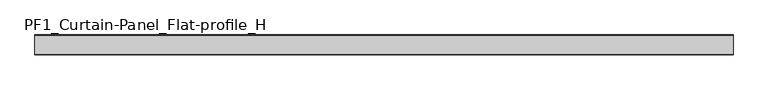
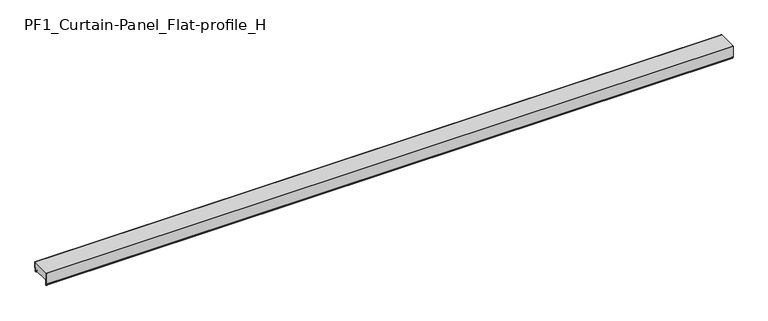
"""IFC4 building model written with IfcOpenShell, lengths in millimetres: plate geometry, PF1_Curtain-Panel_Flat-profile_H."""

from ifc_helpers import new_model, si_unit, point, frame, frame_2d, origin, place, context, project, spatial, polyline, circle_curve, trimmed, segment, composite_curve, outline, extrude, source, transform, mapped, element, save


def pf1_curtain_panel_flat_profile_h_08d9cd48(model_context):
    return source(origin(), model_context, "Body", "SweptSolid", [
        extrude(outline(composite_curve([segment(polyline([(-15.878557, 0.0), (-20.0, 0.0), (-20.0, 0.8), (-15.878557, 0.8)]), True, "CONTINUOUS"), segment(trimmed(circle_curve(frame_2d((-15.878557, -2.0)), 2.8), [point((-15.878557, 0.8))], [point((-13.1503208, -1.370137))], False, "CARTESIAN"), True, "CONTINUOUS"), segment(polyline([(-13.1503208, -1.370137), (-11.728236, -7.529863)]), True, "CONTINUOUS"), segment(trimmed(circle_curve(frame_2d((-9.0, -6.9)), 2.8), [point((-11.728236, -7.529863))], [point((-6.2, -6.9))], True, "CARTESIAN"), True, "CONTINUOUS"), segment(polyline([(-6.2, -6.9), (-6.2, 8.6)]), True, "CONTINUOUS"), segment(trimmed(circle_curve(frame_2d((-3.4, 8.6)), 2.8), [point((-6.2, 8.6))], [point((-3.4, 11.4))], False, "CARTESIAN"), True, "CONTINUOUS"), segment(polyline([(-3.4, 11.4), (-2.0, 11.4)]), True, "CONTINUOUS"), segment(trimmed(circle_curve(frame_2d((-2.0, 12.6)), 1.2), [point((-2.0, 11.4))], [point((-0.8, 12.6))], True, "CARTESIAN"), True, "CONTINUOUS"), segment(polyline([(-0.8, 12.6), (-0.8, 47.0), (0.0, 47.0), (0.0, 12.6)]), True, "CONTINUOUS"), segment(trimmed(circle_curve(frame_2d((-2.0, 12.6)), 2.0), [point((0.0, 12.6))], [point((-2.0, 10.6))], False, "CARTESIAN"), True, "CONTINUOUS"), segment(polyline([(-2.0, 10.6), (-3.4, 10.6)]), True, "CONTINUOUS"), segment(trimmed(circle_curve(frame_2d((-3.4, 8.6)), 2.0), [point((-3.4, 10.6))], [point((-5.4, 8.6))], True, "CARTESIAN"), True, "CONTINUOUS"), segment(polyline([(-5.4, 8.6), (-5.4, -6.9)]), True, "CONTINUOUS"), segment(trimmed(circle_curve(frame_2d((-9.0, -6.9)), 3.6), [point((-5.4, -6.9))], [point((-12.5077322, -7.7098239))], False, "CARTESIAN"), True, "CONTINUOUS"), segment(polyline([(-12.5077322, -7.7098239), (-13.929817, -1.5500979)]), True, "CONTINUOUS"), segment(trimmed(circle_curve(frame_2d((-15.878557, -2.0)), 2.0), [point((-13.929817, -1.5500979))], [point((-15.878557, 0.0))], True, "CARTESIAN"), True, "CONTINUOUS")], self_intersect=False)), frame((-2100.0, 0.0, 0.0), z_axis=(1.0, 0.0, 0.0), x_axis=(0.0, 1.0, 0.0)), (0.0, 0.0, 1.0), 4200.0),
        extrude(outline(composite_curve([segment(polyline([(-110.0, 0.0), (-113.5, 0.0)]), True, "CONTINUOUS"), segment(trimmed(circle_curve(frame_2d((-113.5, -2.0)), 2.0), [point((-113.5, 0.0))], [point((-115.5, -2.0))], True, "CARTESIAN"), True, "CONTINUOUS"), segment(polyline([(-115.5, -2.0), (-115.5, -33.0)]), True, "CONTINUOUS"), segment(trimmed(circle_curve(frame_2d((-116.5, -33.0)), 1.0), [point((-115.5, -33.0))], [point((-117.5, -33.0))], False, "CARTESIAN"), True, "CONTINUOUS"), segment(polyline([(-117.5, -33.0), (-117.5, -26.9)]), True, "CONTINUOUS"), segment(trimmed(circle_curve(frame_2d((-118.4, -26.9)), 0.9), [point((-117.5, -26.9))], [point((-118.4, -26.0))], True, "CARTESIAN"), True, "CONTINUOUS"), segment(trimmed(circle_curve(frame_2d((-118.4, -24.4)), 1.6), [point((-118.4, -26.0))], [point((-120.0, -24.4))], False, "CARTESIAN"), True, "CONTINUOUS"), segment(polyline([(-120.0, -24.4), (-120.0, 47.0), (-119.2, 47.0), (-119.2, -24.4)]), True, "CONTINUOUS"), segment(trimmed(circle_curve(frame_2d((-118.4, -24.4)), 0.8), [point((-119.2, -24.4))], [point((-118.4, -25.2))], True, "CARTESIAN"), True, "CONTINUOUS"), segment(trimmed(circle_curve(frame_2d((-118.6133333, -26.9)), 1.7133333), [point((-118.4, -25.2))], [point((-116.9, -26.9))], False, "CARTESIAN"), True, "CONTINUOUS"), segment(polyline([(-116.9, -26.9), (-116.9, -32.8700312)]), True, "CONTINUOUS"), segment(trimmed(circle_curve(frame_2d((-116.6, -32.8700312)), 0.3), [point((-116.9, -32.8700312))], [point((-116.3, -32.8700312))], True, "CARTESIAN"), True, "CONTINUOUS"), segment(polyline([(-116.3, -32.8700312), (-116.3, -2.0)]), True, "CONTINUOUS"), segment(trimmed(circle_curve(frame_2d((-113.5, -2.0)), 2.8), [point((-116.3, -2.0))], [point((-113.5, 0.8))], False, "CARTESIAN"), True, "CONTINUOUS"), segment(polyline([(-113.5, 0.8), (-110.0, 0.8), (-110.0, 0.0)]), True, "CONTINUOUS")], self_intersect=False)), frame((-2100.0, 0.0, 0.0), z_axis=(1.0, 0.0, 0.0), x_axis=(0.0, 1.0, 0.0)), (0.0, 0.0, 1.0), 4200.0),
        extrude(outline(composite_curve([segment(polyline([(-110.0, 0.8), (-113.5, 0.8)]), True, "CONTINUOUS"), segment(trimmed(circle_curve(frame_2d((-113.5, -2.0)), 2.8), [point((-113.5, 0.8))], [point((-116.3, -2.0))], True, "CARTESIAN"), True, "CONTINUOUS"), segment(polyline([(-116.3, -2.0), (-116.3, -32.8700312)]), True, "CONTINUOUS"), segment(trimmed(circle_curve(frame_2d((-116.6, -32.8700312)), 0.3), [point((-116.3, -32.8700312))], [point((-116.9, -32.8700312))], False, "CARTESIAN"), True, "CONTINUOUS"), segment(polyline([(-116.9, -32.8700312), (-116.9, -26.9)]), True, "CONTINUOUS"), segment(trimmed(circle_curve(frame_2d((-118.6133333, -26.9)), 1.7133333), [point((-116.9, -26.9))], [point((-118.4, -25.2))], True, "CARTESIAN"), True, "CONTINUOUS"), segment(trimmed(circle_curve(frame_2d((-118.4, -24.4)), 0.8), [point((-118.4, -25.2))], [point((-119.2, -24.4))], False, "CARTESIAN"), True, "CONTINUOUS"), segment(polyline([(-119.2, -24.4), (-119.2, 47.0), (-0.8, 47.0), (-0.8, 12.6)]), True, "CONTINUOUS"), segment(trimmed(circle_curve(frame_2d((-2.0, 12.6)), 1.2), [point((-0.8, 12.6))], [point((-2.0, 11.4))], False, "CARTESIAN"), True, "CONTINUOUS"), segment(polyline([(-2.0, 11.4), (-3.4, 11.4)]), True, "CONTINUOUS"), segment(trimmed(circle_curve(frame_2d((-3.4, 8.6)), 2.8), [point((-3.4, 11.4))], [point((-6.2, 8.6))], True, "CARTESIAN"), True, "CONTINUOUS"), segment(polyline([(-6.2, 8.6), (-6.2, -6.9)]), True, "CONTINUOUS"), segment(trimmed(circle_curve(frame_2d((-9.0, -6.9)), 2.8), [point((-6.2, -6.9))], [point((-11.7282362, -7.529863))], False, "CARTESIAN"), True, "CONTINUOUS"), segment(polyline([(-11.7282362, -7.529863), (-13.1503208, -1.370137)]), True, "CONTINUOUS"), segment(trimmed(circle_curve(frame_2d((-15.878557, -2.0)), 2.8), [point((-13.1503208, -1.370137))], [point((-15.878557, 0.8))], True, "CARTESIAN"), True, "CONTINUOUS"), segment(polyline([(-15.878557, 0.8), (-20.0, 0.8), (-20.0, 0.0), (-110.0, 0.0), (-110.0, 0.8)]), True, "CONTINUOUS")], self_intersect=False)), frame((-2100.0, 0.0, 0.0), z_axis=(1.0, 0.0, 0.0), x_axis=(0.0, 1.0, 0.0)), (0.0, 0.0, 1.0), 4200.0),
    ])


if __name__ == "__main__":
    model = new_model("IFC4")
    model_context = context("Model", 3, world=origin())
    ifc_project = project(units=[si_unit("LENGTHUNIT", "METRE", prefix="MILLI")], contexts=[model_context])
    site = spatial("IfcSite", under=ifc_project)
    building = spatial("IfcBuilding", under=site)
    placement = place(None, origin())
    pf1_curtain_panel_flat_profile_h_shape = pf1_curtain_panel_flat_profile_h_08d9cd48(model_context)
    element("IfcPlate", 1, ObjectType="PF1_Curtain-Panel_Flat-profile_H", at=placement, inside=building, context=model_context, shape_type="MappedRepresentation", body=[
        mapped(pf1_curtain_panel_flat_profile_h_shape, transform((0.0, 0.0, 0.0), x_axis=(1.0, 0.0, 0.0), y_axis=(0.0, 1.0, 0.0), z_axis=(0.0, 0.0, 1.0))),
    ])
    save(model, "model.ifc")
